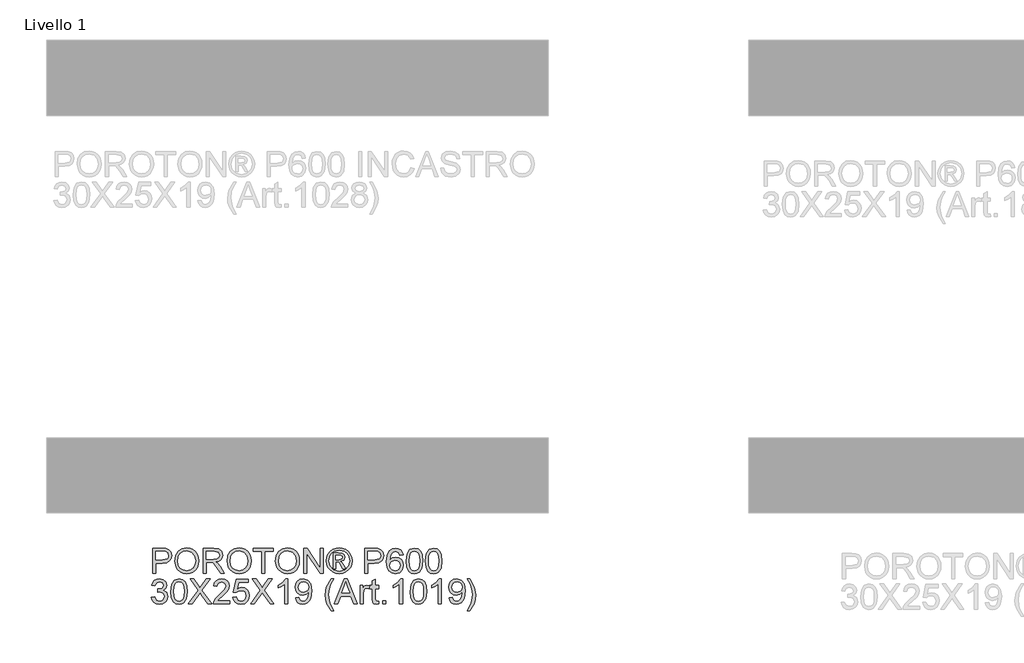
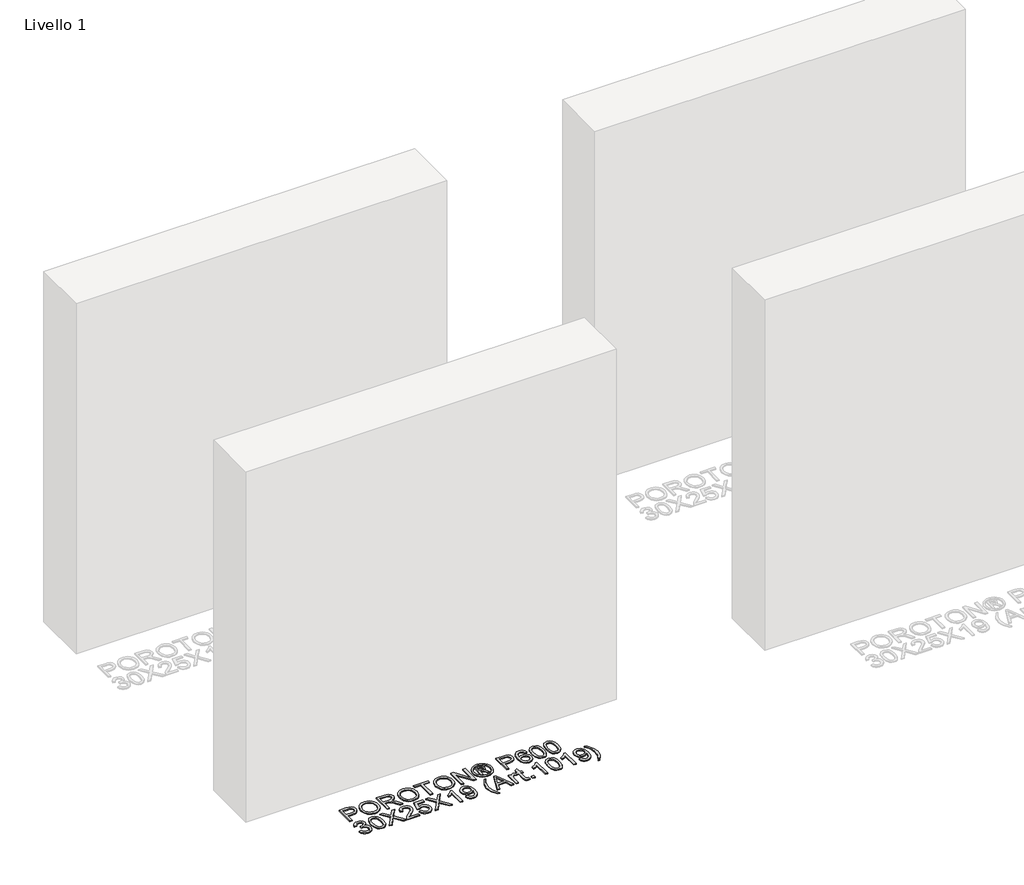
# One storey, part 2 of 11: 1 proxy.
"""IFC4 building model written with IfcOpenShell, lengths in millimetres."""

from ifc_helpers import new_model, si_unit, origin, origin_with_axes, place, context, project, spatial, polyline, outline, extrude, element, save

model = new_model("IFC4")

# Units and contexts
model_context = context("Model", 3, world=origin())
ifc_project = project(units=[si_unit("LENGTHUNIT", "METRE", prefix="MILLI")], contexts=[model_context])

# Site, building, storey
site = spatial("IfcSite", under=ifc_project)
building = spatial("IfcBuilding", under=site)
storey = spatial("IfcBuildingStorey", under=building, Name="Livello 1", Elevation=0.0)

# Proxy
placement = place(None, origin())
element("IfcBuildingElementProxy", 1, Name="100", ObjectType="100", at=placement, inside=storey, context=model_context, shape_type="SweptSolid", body=[
    extrude(outline(polyline([(-4661.3783442, 897.8313318), (-4661.3783442, 998.2876419), (-4624.1486863, 998.2876419), (-4609.1391009, 997.3311487), (-4596.9376814, 992.6345219), (-4589.0282185, 982.9224373), (-4586.0361116, 969.2249643), (-4588.0563969, 957.3852954), (-4594.1172527, 947.5199266), (-4605.4510839, 940.8612625), (-4623.290295, 938.6417078), (-4648.8213054, 938.6417078), (-4648.8213054, 897.8313318), (-4661.3783442, 897.8313318)]), holes=[polyline([(-4648.8213054, 951.1987465), (-4622.554531, 951.1987465), (-4604.0623293, 955.8095342), (-4599.9604451, 961.358421), (-4598.5931503, 968.7835059), (-4601.8182492, 979.1823036), (-4610.2917978, 984.8722118), (-4622.8488366, 985.7306032), (-4648.8213054, 985.7306032), (-4648.8213054, 951.1987465)])]), origin_with_axes(), (0.0, 0.0, 1.0), 5.0),
    extrude(outline(polyline([(-4573.4790728, 946.7351117), (-4570.1313467, 968.9490528), (-4560.0881682, 985.7551286), (-4544.7536204, 996.331736), (-4525.5317861, 999.8572718), (-4512.3554793, 998.2018028), (-4500.5403359, 993.2353959), (-4490.7301494, 985.3075389), (-4483.5687132, 974.7677197), (-4479.1909174, 962.1248418), (-4477.7316522, 947.8878086), (-4479.2675595, 933.460703), (-4483.8752815, 920.6400155), (-4491.3003665, 910.0818022), (-4501.2883626, 902.4421194), (-4513.0023385, 897.8068063), (-4525.6053625, 896.2617019), (-4538.9840044, 897.9692875), (-4550.8665928, 903.0920443), (-4560.6522539, 911.1670541), (-4567.7401137, 921.7313987), (-4573.4790728, 946.7351117)]), holes=[polyline([(-4560.922034, 946.6124843), (-4558.4112394, 930.8977918), (-4550.8788556, 918.9232328), (-4539.5572872, 911.3448637), (-4525.6789389, 908.8187407), (-4511.5982555, 911.3693892), (-4500.258293, 919.0213347), (-4492.7810915, 931.3637756), (-4490.288691, 947.9859105), (-4494.5561221, 968.7099295), (-4507.0273217, 982.4319279), (-4525.4582097, 987.300233), (-4538.9656103, 984.9549853), (-4550.4496599, 977.9192421), (-4558.3039405, 965.4020572), (-4560.922034, 946.6124843)])]), origin_with_axes(), (0.0, 0.0, 1.0), 5.0),
    extrude(outline(polyline([(-4460.4657239, 897.8313318), (-4460.4657239, 998.2876419), (-4417.1782758, 998.2876419), (-4397.0796561, 995.5775779), (-4386.0922472, 985.9881206), (-4381.9842316, 970.7945942), (-4383.6856858, 960.8985685), (-4388.7900485, 952.6948), (-4397.4506038, 946.6799294), (-4409.8206359, 943.3505973), (-4402.6837252, 937.9795202), (-4392.5056566, 925.0545994), (-4375.7547631, 897.8313318), (-4390.3474156, 897.8313318), (-4403.4194892, 918.6534527), (-4412.8617937, 932.4367648), (-4419.4959324, 938.9482761), (-4425.4678834, 941.3395091), (-4432.7519469, 941.7809675), (-4447.9086851, 941.7809675), (-4447.9086851, 897.8313318), (-4460.4657239, 897.8313318)]), holes=[polyline([(-4447.9086851, 954.3380062), (-4419.8025007, 954.3380062), (-4405.4673656, 956.1161025), (-4397.3249108, 961.8060107), (-4394.5412704, 970.3286103), (-4399.8510338, 981.3895956), (-4416.6387155, 985.7306032), (-4447.9086851, 985.7306032), (-4447.9086851, 954.3380062)])]), origin_with_axes(), (0.0, 0.0, 1.0), 5.0),
    extrude(outline(polyline([(-4364.7183033, 946.7351117), (-4361.3705771, 968.9490528), (-4351.3273987, 985.7551286), (-4335.9928508, 996.331736), (-4316.7710166, 999.8572718), (-4303.5947098, 998.2018028), (-4291.7795664, 993.2353959), (-4281.9693798, 985.3075389), (-4274.8079437, 974.7677197), (-4270.4301479, 962.1248418), (-4268.9708827, 947.8878086), (-4270.50679, 933.460703), (-4275.114512, 920.6400155), (-4282.5395969, 910.0818022), (-4292.5275931, 902.4421194), (-4304.241569, 897.8068063), (-4316.844593, 896.2617019), (-4330.2232349, 897.9692875), (-4342.1058233, 903.0920443), (-4351.8914844, 911.1670541), (-4358.9793442, 921.7313987), (-4364.7183033, 946.7351117)]), holes=[polyline([(-4352.1612645, 946.6124843), (-4349.6504699, 930.8977918), (-4342.118086, 918.9232328), (-4330.7965176, 911.3448637), (-4316.9181694, 908.8187407), (-4302.837486, 911.3693892), (-4291.4975235, 919.0213347), (-4284.020322, 931.3637756), (-4281.5279214, 947.9859105), (-4285.7953526, 968.7099295), (-4298.2665522, 982.4319279), (-4316.6974402, 987.300233), (-4330.2048408, 984.9549853), (-4341.6888904, 977.9192421), (-4349.543171, 965.4020572), (-4352.1612645, 946.6124843)])]), origin_with_axes(), (0.0, 0.0, 1.0), 5.0),
    extrude(outline(polyline([(-4226.5908768, 897.8313318), (-4226.5908768, 985.7306032), (-4259.5531036, 985.7306032), (-4259.5531036, 998.2876419), (-4181.0716113, 998.2876419), (-4181.0716113, 985.7306032), (-4214.0338381, 985.7306032), (-4214.0338381, 897.8313318), (-4226.5908768, 897.8313318)])), origin_with_axes(), (0.0, 0.0, 1.0), 5.0),
    extrude(outline(polyline([(-4171.6538322, 946.7351117), (-4168.3061061, 968.9490528), (-4158.2629276, 985.7551286), (-4142.9283798, 996.331736), (-4123.7065455, 999.8572718), (-4110.5302387, 998.2018028), (-4098.7150953, 993.2353959), (-4088.9049088, 985.3075389), (-4081.7434726, 974.7677197), (-4077.3656768, 962.1248418), (-4075.9064116, 947.8878086), (-4077.4423189, 933.460703), (-4082.0500409, 920.6400155), (-4089.4751259, 910.0818022), (-4099.463122, 902.4421194), (-4111.1770979, 897.8068063), (-4123.7801219, 896.2617019), (-4137.1587638, 897.9692875), (-4149.0413522, 903.0920443), (-4158.8270133, 911.1670541), (-4165.9148731, 921.7313987), (-4171.6538322, 946.7351117)]), holes=[polyline([(-4159.0967934, 946.6124843), (-4156.5859988, 930.8977918), (-4149.053615, 918.9232328), (-4137.7320466, 911.3448637), (-4123.8536983, 908.8187407), (-4109.7730149, 911.3693892), (-4098.4330524, 919.0213347), (-4090.9558509, 931.3637756), (-4088.4634504, 947.9859105), (-4092.7308815, 968.7099295), (-4105.2020811, 982.4319279), (-4123.6329691, 987.300233), (-4137.1403697, 984.9549853), (-4148.6244193, 977.9192421), (-4156.4786999, 965.4020572), (-4159.0967934, 946.6124843)])]), origin_with_axes(), (0.0, 0.0, 1.0), 5.0),
    extrude(outline(polyline([(-4058.6404833, 897.8313318), (-4058.6404833, 998.2876419), (-4045.2005277, 998.2876419), (-3992.7160298, 918.7025036), (-3992.7160298, 998.2876419), (-3980.158991, 998.2876419), (-3980.158991, 897.8313318), (-3993.5989465, 897.8313318), (-4046.0834445, 977.4409955), (-4046.0834445, 897.8313318), (-4058.6404833, 897.8313318)])), origin_with_axes(), (0.0, 0.0, 1.0), 5.0),
    extrude(outline(polyline([(-3917.3492717, 999.8572718), (-3904.4550077, 998.1834087), (-3891.8673121, 993.1618195), (-3880.8093925, 985.025496), (-3872.5044565, 974.0074302), (-3867.3081233, 961.2848446), (-3865.5760122, 948.0349614), (-3867.2835978, 934.9015742), (-3872.4063546, 922.2832217), (-3880.6101231, 911.3050099), (-3891.5607438, 903.0920443), (-3904.1698992, 897.9692875), (-3917.3492717, 896.2617019), (-3930.5102501, 897.9692875), (-3943.1132741, 903.0920443), (-3954.0730918, 911.3050099), (-3962.3044515, 922.2832217), (-3967.4547994, 934.9015742), (-3969.1715821, 948.0349614), (-3967.430274, 961.2848446), (-3962.2063496, 974.0074302), (-3953.8738224, 985.025496), (-3942.8067057, 993.1618195), (-3930.2251415, 998.1834087), (-3917.3492717, 999.8572718)]), holes=[polyline([(-3917.3492717, 990.4394927), (-3938.1713926, 984.958051), (-3947.1998299, 978.2963212), (-3954.0271066, 969.2740152), (-3959.753803, 948.0349614), (-3954.1374712, 926.9798485), (-3938.4166473, 911.2958128), (-3917.3492717, 905.679481), (-3896.2696334, 911.2958128), (-3880.5855976, 926.9798485), (-3874.9937913, 948.0349614), (-3880.6836995, 969.2740152), (-3887.4925821, 978.2963212), (-3896.5394135, 984.958051), (-3917.3492717, 990.4394927)])]), origin_with_axes(), (0.0, 0.0, 1.0), 5.0),
    extrude(outline(polyline([(-3940.9182448, 916.6668899), (-3940.9182448, 979.4520838), (-3920.6356842, 979.4520838), (-3905.5770478, 977.7230384), (-3898.1580943, 971.6897737), (-3895.3989793, 962.529512), (-3900.1569198, 950.6101354), (-3912.7630095, 944.9202272), (-3907.8579162, 941.5847637), (-3899.2985284, 929.0522504), (-3892.2597196, 916.6668899), (-3902.8547211, 916.6668899), (-3908.372951, 926.6242293), (-3917.6190518, 941.0452035), (-3925.6388793, 943.3505973), (-3931.5004658, 943.3505973), (-3931.5004658, 916.6668899), (-3940.9182448, 916.6668899)]), holes=[polyline([(-3931.5004658, 952.7683764), (-3919.5810891, 952.7683764), (-3907.9314926, 955.1596094), (-3904.8167584, 961.4994424), (-3906.3128118, 966.0611791), (-3910.4698784, 969.053286), (-3920.3413786, 970.0343047), (-3931.5004658, 970.0343047), (-3931.5004658, 952.7683764)])]), origin_with_axes(), (0.0, 0.0, 1.0), 5.0),
    extrude(outline(polyline([(-3815.3478571, 897.8313318), (-3815.3478571, 998.2876419), (-3778.1181992, 998.2876419), (-3763.1086138, 997.3311487), (-3750.9071943, 992.6345219), (-3742.9977314, 982.9224373), (-3740.0056245, 969.2249643), (-3742.0259098, 957.3852954), (-3748.0867657, 947.5199266), (-3759.4205968, 940.8612625), (-3777.2598079, 938.6417078), (-3802.7908184, 938.6417078), (-3802.7908184, 897.8313318), (-3815.3478571, 897.8313318)]), holes=[polyline([(-3802.7908184, 951.1987465), (-3776.5240439, 951.1987465), (-3758.0318423, 955.8095342), (-3753.9299581, 961.358421), (-3752.5626633, 968.7835059), (-3755.7877621, 979.1823036), (-3764.2613108, 984.8722118), (-3776.8183495, 985.7306032), (-3802.7908184, 985.7306032), (-3802.7908184, 951.1987465)])]), origin_with_axes(), (0.0, 0.0, 1.0), 5.0),
    extrude(outline(polyline([(-3663.0937621, 971.6039345), (-3675.6508008, 970.0343047), (-3680.4087413, 980.5066788), (-3692.9903056, 985.7306032), (-3704.321071, 982.6894453), (-3712.8927215, 971.2728407), (-3716.4611768, 948.8933527), (-3705.3879288, 958.9120057), (-3691.6659304, 962.1861555), (-3680.0653848, 959.9482067), (-3670.3287746, 953.2343603), (-3663.7252928, 942.976584), (-3661.5241322, 930.1068455), (-3665.668936, 912.7796035), (-3677.0732779, 900.5168703), (-3693.5298658, 896.2617019), (-3707.7760961, 899.0821306), (-3719.1221899, 907.5434164), (-3726.5442092, 922.4794255), (-3729.0182156, 944.7240234), (-3726.2713634, 969.7338677), (-3718.0308067, 986.8342491), (-3706.779749, 995.4242937), (-3692.2054906, 998.2876419), (-3681.1874249, 996.515677), (-3672.3643884, 991.1997822), (-3666.1839708, 982.7568904), (-3663.0937621, 971.6039345)]), holes=[polyline([(-3716.4611768, 930.3030492), (-3713.5549091, 919.4260049), (-3705.8293872, 911.5288047), (-3694.5108845, 908.8187407), (-3686.2243425, 910.2228236), (-3679.7097655, 914.4350725), (-3675.4883196, 921.0569484), (-3674.081171, 929.6899126), (-3675.4699255, 937.9764545), (-3679.6361891, 944.2948278), (-3686.2611307, 948.2955445), (-3695.0259193, 949.6291167), (-3710.2194457, 944.2948278), (-3714.900744, 938.1297387), (-3716.4611768, 930.3030492)])]), origin_with_axes(), (0.0, 0.0, 1.0), 5.0),
    extrude(outline(polyline([(-3650.5367233, 947.2501465), (-3646.8456406, 976.1534085), (-3635.8827572, 992.8184629), (-3617.5744965, 998.2876419), (-3602.9082677, 995.0502804), (-3592.7792501, 985.7183404), (-3586.8931381, 970.8559078), (-3584.6122698, 947.2501465), (-3588.2665643, 918.4695117), (-3599.1926595, 901.7676691), (-3607.4240192, 897.6381937), (-3617.5744965, 896.2617019), (-3630.6220446, 898.6529349), (-3640.530333, 905.8266338), (-3648.0351257, 922.8166506), (-3650.5367233, 947.2501465)]), holes=[polyline([(-3637.9796845, 947.2746719), (-3636.5081566, 927.5224745), (-3632.0935726, 916.0905415), (-3625.5207476, 910.6366909), (-3617.5744965, 908.8187407), (-3609.6282454, 910.6428223), (-3603.0554205, 916.1150669), (-3598.6408365, 927.5531313), (-3597.1693085, 947.2746719), (-3598.5917856, 966.5823453), (-3602.8592167, 978.1031831), (-3609.419779, 983.8237481), (-3617.7216493, 985.7306032), (-3625.5820613, 984.0506087), (-3631.8973689, 979.0106254), (-3636.4591056, 966.7724177), (-3637.9796845, 947.2746719)])]), origin_with_axes(), (0.0, 0.0, 1.0), 5.0),
    extrude(outline(polyline([(-3573.6248608, 947.2501465), (-3569.9337782, 976.1534085), (-3558.9708947, 992.8184629), (-3540.6626341, 998.2876419), (-3525.9964052, 995.0502804), (-3515.8673876, 985.7183404), (-3509.9812757, 970.8559078), (-3507.7004073, 947.2501465), (-3511.3547018, 918.4695117), (-3522.2807971, 901.7676691), (-3530.5121567, 897.6381937), (-3540.6626341, 896.2617019), (-3553.7101822, 898.6529349), (-3563.6184706, 905.8266338), (-3571.1232633, 922.8166506), (-3573.6248608, 947.2501465)]), holes=[polyline([(-3561.0678221, 947.2746719), (-3559.5962941, 927.5224745), (-3555.1817102, 916.0905415), (-3548.6088852, 910.6366909), (-3540.6626341, 908.8187407), (-3532.716383, 910.6428223), (-3526.143558, 916.1150669), (-3521.7289741, 927.5531313), (-3520.2574461, 947.2746719), (-3521.6799231, 966.5823453), (-3525.9473543, 978.1031831), (-3532.5079165, 983.8237481), (-3540.8097869, 985.7306032), (-3548.6701988, 984.0506087), (-3554.9855064, 979.0106254), (-3559.5472432, 966.7724177), (-3561.0678221, 947.2746719)])]), origin_with_axes(), (0.0, 0.0, 1.0), 5.0),
    extrude(outline(polyline([(-4666.0872337, 802.5402213), (-4653.530195, 804.1098512), (-4646.6017507, 790.8906248), (-4633.6400418, 786.8439229), (-4625.0316031, 788.2357431), (-4618.3852017, 792.4112037), (-4612.719819, 806.1945158), (-4618.3361508, 819.1807502), (-4632.6099722, 824.3188354), (-4641.4146146, 822.9454093), (-4640.016663, 835.5024481), (-4638.0055748, 835.3552953), (-4623.7562788, 838.9605388), (-4619.0106011, 843.5345383), (-4617.4287085, 850.0460496), (-4622.0149707, 859.8684989), (-4633.8362455, 863.7557853), (-4645.8046731, 859.8317107), (-4651.9605651, 848.0594869), (-4664.5176039, 849.6291167), (-4660.8203898, 860.9046998), (-4654.2414335, 869.3230662), (-4645.2405873, 874.5653846), (-4634.2777039, 876.3128241), (-4619.1332284, 872.8669961), (-4608.5382269, 863.449217), (-4604.8716697, 850.7818136), (-4608.354286, 839.2057935), (-4618.6549818, 830.8916604), (-4604.9697716, 822.3077472), (-4600.1627802, 805.9737866), (-4602.5662759, 793.7355789), (-4609.776763, 783.5084594), (-4620.6599387, 776.5922779), (-4634.0815001, 774.2868841), (-4646.221606, 776.2550528), (-4656.1053689, 782.1595588), (-4662.9786309, 791.1910618), (-4666.0872337, 802.5402213)])), origin_with_axes(), (0.0, 0.0, 1.0), 5.0),
    extrude(outline(polyline([(-4589.1753713, 825.2753286), (-4585.4842886, 854.1785907), (-4574.5214051, 870.8436451), (-4556.2131445, 876.3128241), (-4541.5469156, 873.0754625), (-4531.417898, 863.7435226), (-4525.5317861, 848.88109), (-4523.2509177, 825.2753286), (-4526.9052122, 796.4946939), (-4537.8313075, 779.7928513), (-4546.0626671, 775.6633759), (-4556.2131445, 774.2868841), (-4569.2606926, 776.6781171), (-4579.168981, 783.851816), (-4586.6737737, 800.8418328), (-4589.1753713, 825.2753286)]), holes=[polyline([(-4576.6183325, 825.2998541), (-4575.1468045, 805.5476566), (-4570.7322206, 794.1157236), (-4564.1593956, 788.661873), (-4556.2131445, 786.8439229), (-4548.2668934, 788.6680044), (-4541.6940684, 794.1402491), (-4537.2794845, 805.5783135), (-4535.8079565, 825.2998541), (-4537.2304335, 844.6075275), (-4541.4978647, 856.1283653), (-4548.0584269, 861.8489303), (-4556.3602973, 863.7557853), (-4564.2207093, 862.0757909), (-4570.5360168, 857.0358075), (-4575.0977536, 844.7975998), (-4576.6183325, 825.2998541)])]), origin_with_axes(), (0.0, 0.0, 1.0), 5.0),
    extrude(outline(polyline([(-4518.5420282, 775.8565139), (-4479.8163168, 830.5973548), (-4512.2635088, 876.3128241), (-4497.2048725, 876.3128241), (-4478.9334, 850.5856099), (-4472.777508, 840.5546941), (-4465.5670209, 850.7572881), (-4447.4917522, 876.3128241), (-4432.2123867, 876.3128241), (-4464.6595786, 830.450202), (-4425.9338673, 775.8565139), (-4440.9925036, 775.8565139), (-4466.7932942, 812.252306), (-4472.1643713, 819.8061496), (-4478.0750087, 811.516542), (-4503.2626627, 775.8565139), (-4518.5420282, 775.8565139)])), origin_with_axes(), (0.0, 0.0, 1.0), 5.0),
    extrude(outline(polyline([(-4353.7308944, 788.4135527), (-4353.7308944, 775.8565139), (-4419.6553479, 775.8565139), (-4418.3064472, 784.5140036), (-4410.6790272, 797.8435945), (-4394.9582033, 812.3994588), (-4373.277691, 833.3196816), (-4367.857563, 847.5444521), (-4372.9711227, 859.0591585), (-4386.3252391, 863.7557853), (-4400.2434413, 859.1695231), (-4405.5286793, 846.489857), (-4418.085718, 848.0594869), (-4415.0414945, 860.2057241), (-4408.4594725, 869.0778115), (-4398.6830085, 874.5040709), (-4386.055459, 876.3128241), (-4373.335939, 874.3017358), (-4363.5778691, 868.2684711), (-4357.3698604, 859.2553622), (-4355.3005242, 848.3047415), (-4357.5323416, 836.3976276), (-4364.9512952, 824.0858435), (-4382.9407248, 806.8812289), (-4397.3862244, 794.8024367), (-4403.0516072, 788.4135527), (-4353.7308944, 788.4135527)])), origin_with_axes(), (0.0, 0.0, 1.0), 5.0),
    extrude(outline(polyline([(-4341.1738556, 802.5402213), (-4328.6168168, 804.1098512), (-4322.2892465, 791.1726677), (-4309.168122, 786.8439229), (-4300.1672759, 788.3491734), (-4293.4227726, 792.8649248), (-4289.2105238, 799.8700112), (-4287.8064408, 808.8432662), (-4293.0671534, 823.7547497), (-4299.6737008, 827.8566339), (-4308.9719183, 829.2239287), (-4319.9961154, 827.0411622), (-4327.047187, 821.3757795), (-4339.6042257, 822.9454093), (-4328.6168168, 874.7431942), (-4279.9582916, 874.7431942), (-4279.9582916, 862.1861555), (-4318.4632738, 862.1861555), (-4323.8343509, 834.5214294), (-4314.8641616, 839.966083), (-4305.4647766, 841.7809675), (-4293.7324066, 839.5307559), (-4283.9927308, 832.7801213), (-4277.4352342, 822.4916882), (-4275.2494021, 809.6280811), (-4277.2175707, 797.0710423), (-4283.1220767, 786.3288881), (-4294.4283167, 777.2973851), (-4309.2171729, 774.2868841), (-4321.5504168, 776.2213302), (-4331.3759318, 782.0246687), (-4338.111238, 791.0224492), (-4341.1738556, 802.5402213)])), origin_with_axes(), (0.0, 0.0, 1.0), 5.0),
    extrude(outline(polyline([(-4270.5405125, 775.8565139), (-4231.8148012, 830.5973548), (-4264.2619931, 876.3128241), (-4249.2033568, 876.3128241), (-4230.9318844, 850.5856099), (-4224.7759923, 840.5546941), (-4217.5655052, 850.7572881), (-4199.4902365, 876.3128241), (-4184.210871, 876.3128241), (-4216.658063, 830.450202), (-4177.9323516, 775.8565139), (-4192.9909879, 775.8565139), (-4218.7917785, 812.252306), (-4224.1628557, 819.8061496), (-4230.073493, 811.516542), (-4255.261147, 775.8565139), (-4270.5405125, 775.8565139)])), origin_with_axes(), (0.0, 0.0, 1.0), 5.0),
    extrude(outline(polyline([(-4122.995307, 775.8565139), (-4135.5523457, 775.8565139), (-4135.5523457, 854.1418025), (-4147.4471969, 845.6682539), (-4160.6664233, 839.3284208), (-4160.6664233, 851.1987465), (-4142.2600608, 862.9464449), (-4131.0887109, 876.3128241), (-4122.995307, 876.3128241), (-4122.995307, 775.8565139)])), origin_with_axes(), (0.0, 0.0, 1.0), 5.0),
    extrude(outline(polyline([(-4091.6027101, 800.9705915), (-4079.0456713, 802.5402213), (-4073.404814, 790.559531), (-4062.7117107, 786.8439229), (-4052.5459049, 789.2351558), (-4045.6542489, 795.6240398), (-4041.5462332, 806.5378723), (-4039.7313487, 821.1059993), (-4039.8049251, 823.558546), (-4049.8481036, 814.042665), (-4063.619153, 810.3883705), (-4075.0694801, 812.620188), (-4084.6006894, 819.3156403), (-4091.0294273, 829.6592557), (-4093.1723399, 842.8355625), (-4090.9251941, 856.4471963), (-4084.1837565, 867.1157742), (-4074.0578046, 874.0135616), (-4061.6571157, 876.3128241), (-4043.765788, 871.0643743), (-4031.4540038, 856.1038398), (-4027.2478864, 827.9976554), (-4031.4417411, 797.500238), (-4036.6564684, 787.5091761), (-4043.9129408, 780.2220469), (-4052.8984585, 775.7706748), (-4063.3003219, 774.2868841), (-4074.0363448, 776.0373892), (-4082.6018639, 781.2889047), (-4088.5922091, 789.7103367), (-4091.6027101, 800.9705915)]), holes=[polyline([(-4039.8049251, 843.1298681), (-4041.1599572, 851.6402049), (-4045.2250532, 858.1885045), (-4051.5342294, 862.3639651), (-4059.6215019, 863.7557853), (-4068.0092114, 862.2566662), (-4074.7291892, 857.7593088), (-4079.1437732, 850.8768498), (-4080.6153011, 842.2224259), (-4079.2234809, 834.4631814), (-4075.0480203, 828.3042237), (-4068.4935894, 824.2851129), (-4059.9648585, 822.9454093), (-4045.4825706, 828.3042237), (-4041.2243365, 834.690042), (-4039.8049251, 843.1298681)])]), origin_with_axes(), (0.0, 0.0, 1.0), 5.0),
    extrude(outline(polyline([(-3948.7663941, 747.6031767), (-3966.5964081, 777.0582618), (-3972.0594557, 794.238351), (-3973.8804716, 812.0315768), (-3968.4358181, 842.5657824), (-3948.7663941, 876.3128241), (-3939.348615, 876.3128241), (-3951.0963134, 856.4226709), (-3958.1596477, 837.1456543), (-3961.3234328, 811.9580004), (-3955.8297284, 779.7683258), (-3939.348615, 747.6031767), (-3948.7663941, 747.6031767)])), origin_with_axes(), (0.0, 0.0, 1.0), 5.0),
    extrude(outline(polyline([(-3936.9205938, 775.8565139), (-3896.8214563, 876.3128241), (-3886.128353, 876.3128241), (-3846.0292155, 775.8565139), (-3859.2974928, 775.8565139), (-3870.7999366, 807.2491109), (-3912.1743983, 807.2491109), (-3923.6523165, 775.8565139), (-3936.9205938, 775.8565139)]), holes=[polyline([(-3907.5636106, 819.8061496), (-3875.3861988, 819.8061496), (-3884.4360958, 844.5032942), (-3891.4749047, 863.7557853), (-3897.7288986, 846.6615353), (-3907.5636106, 819.8061496)])]), origin_with_axes(), (0.0, 0.0, 1.0), 5.0),
    extrude(outline(polyline([(-3834.1834153, 775.8565139), (-3834.1834153, 849.6291167), (-3823.1960064, 849.6291167), (-3823.1960064, 838.7152842), (-3815.3969081, 848.7707254), (-3807.5487588, 851.1987465), (-3794.9426691, 847.3237229), (-3799.1365239, 836.0665338), (-3807.9656918, 838.6417078), (-3815.0658143, 836.1646357), (-3819.5907628, 829.2975051), (-3821.6263765, 814.6312762), (-3821.6263765, 775.8565139), (-3834.1834153, 775.8565139)])), origin_with_axes(), (0.0, 0.0, 1.0), 5.0),
    extrude(outline(polyline([(-3760.4108125, 786.3288881), (-3758.8411827, 775.4886319), (-3768.2344363, 774.2868841), (-3778.7558614, 776.3715487), (-3784.0043112, 781.8407277), (-3785.5248901, 796.0900237), (-3785.5248901, 837.0720779), (-3794.9426691, 837.0720779), (-3794.9426691, 849.6291167), (-3785.5248901, 849.6291167), (-3785.5248901, 867.5572326), (-3772.9678513, 874.939398), (-3772.9678513, 849.6291167), (-3760.4108125, 849.6291167), (-3760.4108125, 837.0720779), (-3772.9678513, 837.0720779), (-3772.9678513, 796.4579057), (-3772.3056637, 789.9831825), (-3770.1596854, 787.6900514), (-3765.8799915, 786.8439229), (-3760.4108125, 786.3288881)])), origin_with_axes(), (0.0, 0.0, 1.0), 5.0),
    extrude(outline(polyline([(-3744.7145141, 775.8565139), (-3744.7145141, 788.4135527), (-3732.1574753, 788.4135527), (-3732.1574753, 775.8565139), (-3744.7145141, 775.8565139)])), origin_with_axes(), (0.0, 0.0, 1.0), 5.0),
    extrude(outline(polyline([(-3664.6633919, 775.8565139), (-3677.2204307, 775.8565139), (-3677.2204307, 854.1418025), (-3689.1152819, 845.6682539), (-3702.3345082, 839.3284208), (-3702.3345082, 851.1987465), (-3683.9281457, 862.9464449), (-3672.7567958, 876.3128241), (-3664.6633919, 876.3128241), (-3664.6633919, 775.8565139)])), origin_with_axes(), (0.0, 0.0, 1.0), 5.0),
    extrude(outline(polyline([(-3634.8404248, 825.2753286), (-3631.1493422, 854.1785907), (-3620.1864587, 870.8436451), (-3601.8781981, 876.3128241), (-3587.2119692, 873.0754625), (-3577.0829516, 863.7435226), (-3571.1968397, 848.88109), (-3568.9159713, 825.2753286), (-3572.5702658, 796.4946939), (-3583.4963611, 779.7928513), (-3591.7277207, 775.6633759), (-3601.8781981, 774.2868841), (-3614.9257462, 776.6781171), (-3624.8340346, 783.851816), (-3632.3388273, 800.8418328), (-3634.8404248, 825.2753286)]), holes=[polyline([(-3622.2833861, 825.2998541), (-3620.8118581, 805.5476566), (-3616.3972742, 794.1157236), (-3609.8244492, 788.661873), (-3601.8781981, 786.8439229), (-3593.931947, 788.6680044), (-3587.359122, 794.1402491), (-3582.9445381, 805.5783135), (-3581.4730101, 825.2998541), (-3582.8954871, 844.6075275), (-3587.1629183, 856.1283653), (-3593.7234805, 861.8489303), (-3602.0253509, 863.7557853), (-3609.8857628, 862.0757909), (-3616.2010704, 857.0358075), (-3620.7628072, 844.7975998), (-3622.2833861, 825.2998541)])]), origin_with_axes(), (0.0, 0.0, 1.0), 5.0),
    extrude(outline(polyline([(-3510.839667, 775.8565139), (-3523.3967058, 775.8565139), (-3523.3967058, 854.1418025), (-3535.291557, 845.6682539), (-3548.5107833, 839.3284208), (-3548.5107833, 851.1987465), (-3530.1044208, 862.9464449), (-3518.9330709, 876.3128241), (-3510.839667, 876.3128241), (-3510.839667, 775.8565139)])), origin_with_axes(), (0.0, 0.0, 1.0), 5.0),
    extrude(outline(polyline([(-3479.4470701, 800.9705915), (-3466.8900313, 802.5402213), (-3461.2491741, 790.559531), (-3450.5560707, 786.8439229), (-3440.3902649, 789.2351558), (-3433.4986089, 795.6240398), (-3429.3905933, 806.5378723), (-3427.5757088, 821.1059993), (-3427.6492852, 823.558546), (-3437.6924636, 814.042665), (-3451.463513, 810.3883705), (-3462.9138401, 812.620188), (-3472.4450494, 819.3156403), (-3478.8737873, 829.6592557), (-3481.0166999, 842.8355625), (-3478.7695541, 856.4471963), (-3472.0281165, 867.1157742), (-3461.9021646, 874.0135616), (-3449.5014757, 876.3128241), (-3431.610148, 871.0643743), (-3419.2983639, 856.1038398), (-3415.0922464, 827.9976554), (-3419.2861011, 797.500238), (-3424.5008284, 787.5091761), (-3431.7573008, 780.2220469), (-3440.7428185, 775.7706748), (-3451.1446819, 774.2868841), (-3461.8807048, 776.0373892), (-3470.4462239, 781.2889047), (-3476.4365691, 789.7103367), (-3479.4470701, 800.9705915)]), holes=[polyline([(-3427.6492852, 843.1298681), (-3429.0043172, 851.6402049), (-3433.0694132, 858.1885045), (-3439.3785894, 862.3639651), (-3447.465862, 863.7557853), (-3455.8535715, 862.2566662), (-3462.5735492, 857.7593088), (-3466.9881332, 850.8768498), (-3468.4596612, 842.2224259), (-3467.0678409, 834.4631814), (-3462.8923803, 828.3042237), (-3456.3379494, 824.2851129), (-3447.8092185, 822.9454093), (-3433.3269306, 828.3042237), (-3429.0686965, 834.690042), (-3427.6492852, 843.1298681)])]), origin_with_axes(), (0.0, 0.0, 1.0), 5.0),
    extrude(outline(polyline([(-3397.8263181, 747.6031767), (-3407.2440972, 747.6031767), (-3390.7629838, 779.7683258), (-3385.2692793, 811.9580004), (-3388.4330645, 836.9249251), (-3395.4228224, 856.2264671), (-3407.2440972, 876.3128241), (-3397.8263181, 876.3128241), (-3378.1568941, 842.5657824), (-3372.7122406, 812.0315768), (-3374.5424535, 794.238351), (-3380.0330923, 777.0582618), (-3397.8263181, 747.6031767)])), origin_with_axes(), (0.0, 0.0, 1.0), 5.0),
])

save(model, "model.ifc")
